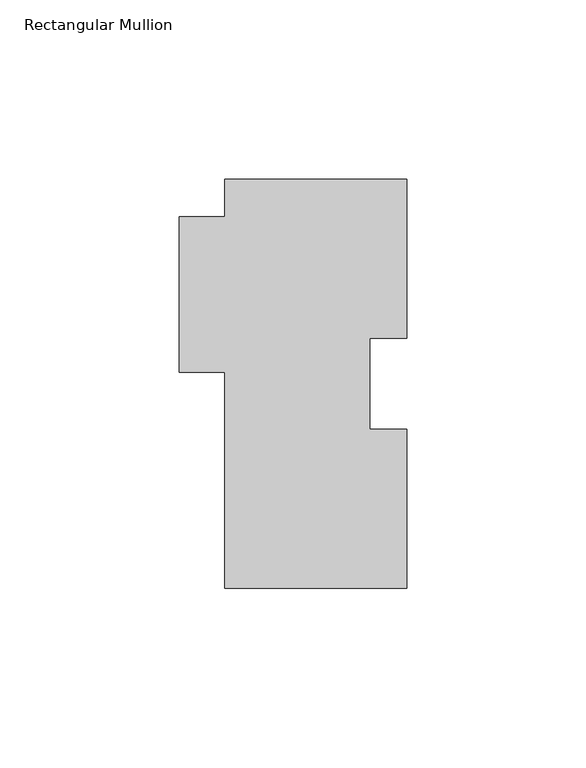
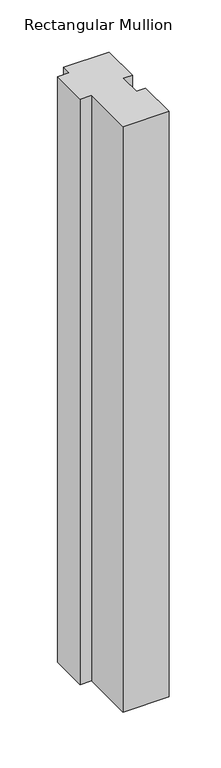
"""IFC4 building model written with IfcOpenShell, lengths in millimetres: member geometry, Rectangular Mullion."""

import ifcopenshell
import ifcopenshell.guid

model = None  # the IFC model being written
_history = None  # IfcOwnerHistory: only IFC2X3 demands one
_inside = {}  # id of a spatial element -> (the spatial element, [elements in it])
_under = {}  # id of a project, library or spatial element -> (it, [spatial elements below it])
_declared = {}  # id of a project -> (the project, [libraries it declares])
_typed = {}  # id of a type object -> (the type object, [elements of that type])
_made_of = {}  # id of a material, layer set ... -> (it, [elements and type objects made of it])


def new_model(schema):
    """Start an empty IFC model of exactly this schema.

    Asked for "IFC4X3", IfcOpenShell would pick the latest addendum, in which some entities
    have other attributes; the version numbers below select the first issue.
    IFC2X3 requires an IfcOwnerHistory on every rooted entity: one is made here for all.
    """
    global model, _history
    if schema == "IFC4X3":
        model = ifcopenshell.file(schema_version=(4, 3, 0, 0))
    else:
        model = ifcopenshell.file(schema=schema)
    _inside.clear()
    _under.clear()
    _declared.clear()
    _typed.clear()
    _made_of.clear()
    _history = None
    if model.schema == "IFC2X3":
        org = make("IfcOrganization", Name="unknown")
        user = make(
            "IfcPersonAndOrganization",
            ThePerson=make("IfcPerson", FamilyName="unknown"),
            TheOrganization=org,
        )
        app = make(
            "IfcApplication",
            ApplicationDeveloper=org,
            Version="unknown",
            ApplicationFullName="unknown",
            ApplicationIdentifier="unknown",
        )
        _history = make(
            "IfcOwnerHistory",
            OwningUser=user,
            OwningApplication=app,
            ChangeAction="ADDED",
            CreationDate=0,
        )
    return model


def make(cls, **values):
    """One entity of the class cls with the attributes given. An attribute that is None is left unset."""
    return model.create_entity(
        cls, **{name: value for name, value in values.items() if value is not None}
    )


def rooted(cls, **values):
    """An entity with a GlobalId (a new one), such as an element, a storey or a relation."""
    return make(cls, GlobalId=ifcopenshell.guid.new(), OwnerHistory=_history, **values)


def si_unit(unit_type, name, prefix=None):
    """IfcSIUnit, for example si_unit("LENGTHUNIT", "METRE", prefix="MILLI")."""
    return make("IfcSIUnit", UnitType=unit_type, Prefix=prefix, Name=name)


def assignment(units):
    """IfcUnitAssignment: the units of a project."""
    return None if units is None else make("IfcUnitAssignment", Units=units)


def point(xyz):
    """IfcCartesianPoint."""
    return None if xyz is None else make("IfcCartesianPoint", Coordinates=xyz)


def direction(xyz):
    """IfcDirection."""
    return None if xyz is None else make("IfcDirection", DirectionRatios=xyz)


def frame(location, z_axis=None, x_axis=None):
    """IfcAxis2Placement3D, a coordinate frame: its origin and axes. An axis left out is left unset."""
    return make(
        "IfcAxis2Placement3D",
        Location=point(location),
        Axis=direction(z_axis),
        RefDirection=direction(x_axis),
    )


def origin():
    """The frame at (0, 0, 0) with its axes left unset."""
    return frame((0.0, 0.0, 0.0))


def place(relative_to, where):
    """IfcLocalPlacement: puts the frame where relative to a parent placement (None: the world)."""
    return make(
        "IfcLocalPlacement", PlacementRelTo=relative_to, RelativePlacement=where
    )


def context(
    kind, dimensions, precision=None, world=None, true_north=None, identifier=None
):
    """IfcGeometricRepresentationContext, for example the 3D "Model" context."""
    return make(
        "IfcGeometricRepresentationContext",
        ContextIdentifier=identifier,
        ContextType=kind,
        CoordinateSpaceDimension=dimensions,
        Precision=precision,
        WorldCoordinateSystem=world,
        TrueNorth=true_north,
    )


def project(units=None, contexts=None):
    """IfcProject with its units and contexts."""
    return rooted(
        "IfcProject",
        Name="project",
        RepresentationContexts=contexts,
        UnitsInContext=assignment(units),
    )


def spatial(cls, under=None, at=None, **own):
    """A site, building, storey or space (cls), placed at a placement, below another one or the project."""
    s = rooted(cls, ObjectPlacement=at, **own)
    if under is not None:
        _under.setdefault(under.id(), (under, []))[1].append(s)
    return s


def polyline(points):
    """IfcPolyline through the points."""
    return make("IfcPolyline", Points=[point(p) for p in points])


def outline(outer, holes=None, kind="AREA"):
    """IfcArbitraryClosedProfileDef: a profile drawn as a closed curve; with holes, ...WithVoids."""
    if holes is None:
        return make("IfcArbitraryClosedProfileDef", ProfileType=kind, OuterCurve=outer)
    return make(
        "IfcArbitraryProfileDefWithVoids",
        ProfileType=kind,
        OuterCurve=outer,
        InnerCurves=holes,
    )


def extrude(swept, where, along, depth):
    """IfcExtrudedAreaSolid: the profile swept, set in the frame where, extruded along a direction by depth."""
    return make(
        "IfcExtrudedAreaSolid",
        SweptArea=swept,
        Position=where,
        ExtrudedDirection=direction(along),
        Depth=depth,
    )


def shape(context_of_items, identifier, shape_type, items):
    """IfcShapeRepresentation: the items that make up one representation, for example the "Body"."""
    return make(
        "IfcShapeRepresentation",
        ContextOfItems=context_of_items,
        RepresentationIdentifier=identifier,
        RepresentationType=shape_type,
        Items=items,
    )


def source(mapping_origin, context_of_items, identifier, shape_type, items):
    """IfcRepresentationMap: a shape defined once, which mapped items show again and again."""
    return make(
        "IfcRepresentationMap",
        MappingOrigin=mapping_origin,
        MappedRepresentation=shape(context_of_items, identifier, shape_type, items),
    )


def transform(
    local_origin,
    x_axis=None,
    y_axis=None,
    z_axis=None,
    scale=None,
    scale2=None,
    scale3=None,
    uniform=True,
):
    """IfcCartesianTransformationOperator3D, or its non-uniform kind. x_axis, y_axis, z_axis: its Axis1, 2, 3."""
    if uniform:
        return make(
            "IfcCartesianTransformationOperator3D",
            Axis1=direction(x_axis),
            Axis2=direction(y_axis),
            LocalOrigin=point(local_origin),
            Scale=scale,
            Axis3=direction(z_axis),
        )
    return make(
        "IfcCartesianTransformationOperator3DnonUniform",
        Axis1=direction(x_axis),
        Axis2=direction(y_axis),
        LocalOrigin=point(local_origin),
        Scale=scale,
        Axis3=direction(z_axis),
        Scale2=scale2,
        Scale3=scale3,
    )


def mapped(mapping_source, mapping_target):
    """IfcMappedItem: shows the shape of a source again, moved by a transform."""
    return make(
        "IfcMappedItem", MappingSource=mapping_source, MappingTarget=mapping_target
    )


def made_of(thing, what):
    """Note that an element or type object is made of a material, layer set ...; save() writes the relation."""
    if what is not None:
        _made_of.setdefault(what.id(), (what, []))[1].append(thing)
    return thing


def element(
    cls,
    number,
    at=None,
    inside=None,
    cuts=None,
    type_object=None,
    material=None,
    context=None,
    identifier="Body",
    shape_type=None,
    held_by="IfcProductDefinitionShape",
    body=None,
    shapes=None,
    **own,
):
    """One element of the class cls, such as IfcWall. Its Tag is "e" and its number.

    at: its placement. inside: the storey or other place that contains it. cuts: it is an
    opening in that element (IfcRelVoidsElement). A single representation is given by context,
    identifier, shape_type and body (its items); several are given by shapes. held_by: the class
    of the entity that holds the representations. save() writes the other relations.
    """
    e = rooted(cls, Tag="e%d" % number, ObjectPlacement=at, **own)
    if body is not None:
        shapes = [shape(context, identifier, shape_type, body)]
    if shapes is not None:
        e.Representation = make(held_by, Representations=shapes)
    if inside is not None:
        _inside.setdefault(inside.id(), (inside, []))[1].append(e)
    if cuts is not None:
        rooted(
            "IfcRelVoidsElement", RelatingBuildingElement=cuts, RelatedOpeningElement=e
        )
    if type_object is not None:
        _typed.setdefault(type_object.id(), (type_object, []))[1].append(e)
    return made_of(e, material)


def aggregate(whole, parts):
    """IfcRelAggregates: a whole, such as a stair, and the parts it consists of."""
    return rooted("IfcRelAggregates", RelatingObject=whole, RelatedObjects=parts)


def save(model, path):
    """Write the relations noted so far, then the file.

    IfcRelAggregates (storeys below a building ...), IfcRelContainedInSpatialStructure (elements
    in a storey), IfcRelDefinesByType, IfcRelAssociatesMaterial and IfcRelDeclares: one each for
    every whole, place, type object, material and project.
    """
    for whole, parts in _under.values():
        aggregate(whole, parts)
    for where, things in _inside.values():
        rooted(
            "IfcRelContainedInSpatialStructure",
            RelatedElements=things,
            RelatingStructure=where,
        )
    for kind, things in _typed.values():
        rooted("IfcRelDefinesByType", RelatedObjects=things, RelatingType=kind)
    for what, things in _made_of.values():
        rooted("IfcRelAssociatesMaterial", RelatedObjects=things, RelatingMaterial=what)
    for by, libraries in _declared.values():
        rooted("IfcRelDeclares", RelatingContext=by, RelatedDefinitions=libraries)
    model.write(path)


def rectangular_mullion_61147ee3(model_context):
    return source(origin(), model_context, "Body", "SweptSolid", [
        extrude(outline(polyline([(0.0, 114.2476125), (0.0, 69.7976125), (-10.2616, 69.7976125), (-10.2616, 44.3976125), (0.0, 44.3976125), (0.0, -0.0523875), (-50.8, -0.0523875), (-50.8, 60.2980125), (-63.5, 60.2980125), (-63.5, 103.7828125), (-50.8, 103.7828125), (-50.8, 114.2476125), (0.0, 114.2476125)])), frame((0.0, 0.0, -685.5877607), z_axis=(0.0, 0.0, 1.0), x_axis=(1.0, 0.0, 0.0)), (0.0, 0.0, 1.0), 685.5877607),
    ])


if __name__ == "__main__":
    model = new_model("IFC4")
    model_context = context("Model", 3, world=origin())
    ifc_project = project(units=[si_unit("LENGTHUNIT", "METRE", prefix="MILLI")], contexts=[model_context])
    site = spatial("IfcSite", under=ifc_project)
    building = spatial("IfcBuilding", under=site)
    placement = place(None, origin())
    rectangular_mullion_shape = rectangular_mullion_61147ee3(model_context)
    element("IfcMember", 1, ObjectType="Rectangular Mullion", at=placement, inside=building, context=model_context, shape_type="MappedRepresentation", body=[
        mapped(rectangular_mullion_shape, transform((0.0, 0.0, 0.0), x_axis=(1.0, 0.0, 0.0), y_axis=(0.0, 1.0, 0.0), z_axis=(0.0, 0.0, 1.0))),
    ])
    save(model, "model.ifc")
